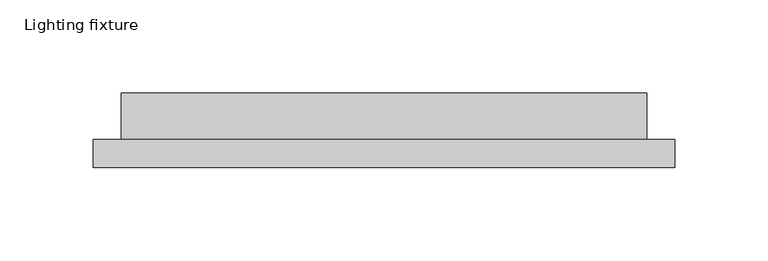
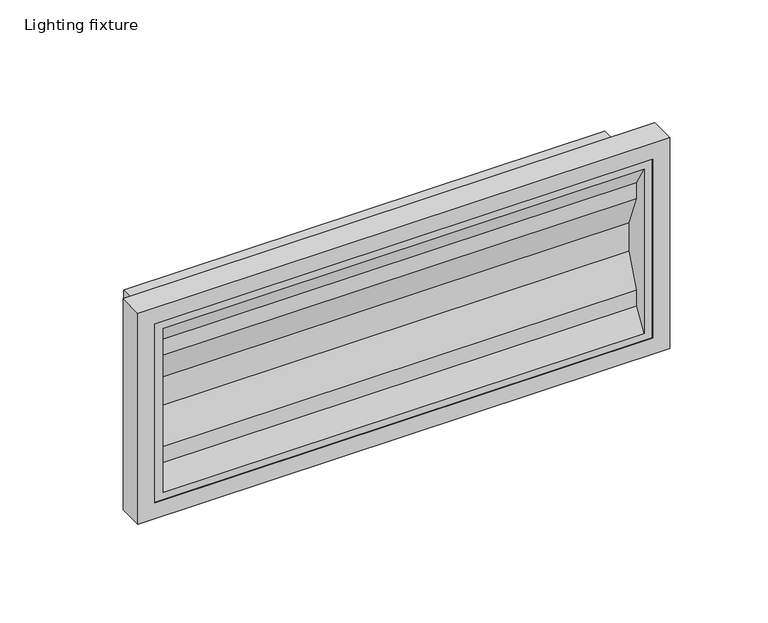
"""IFC4 building model written with IfcOpenShell, lengths in millimetres: light fixture geometry, Lighting fixture."""

from ifc_helpers import new_model, si_unit, frame, origin, place, context, project, spatial, polyline, outline, extrude, faceted_brep, source, transform, mapped, element, save


def lighting_fixture_2f1bb86d(model_context):
    return source(origin(), model_context, "Body", "SolidModel", [
        extrude(outline(polyline([(65.5, -156.0), (-65.5, -156.0), (-65.5, 156.0), (65.5, 156.0), (65.5, -156.0)]), holes=[polyline([(55.5, 146.0), (-55.5, 146.0), (-55.5, -146.0), (55.5, -146.0), (55.5, 146.0)])]), frame((0.0, -40.0, 0.0), z_axis=(0.0, 1.0, 0.0), x_axis=(0.0, 0.0, 1.0)), (0.0, 0.0, 1.0), 15.0),
        faceted_brep([(146.0, -40.0, -55.5), (146.0, -40.0, 55.5), (-146.0, -40.0, 55.5), (-146.0, -40.0, -55.5), (141.0, -40.0, 0.0), (141.0, -40.0, -50.9807621), (-141.0, -40.0, -50.9807621), (-141.0, -40.0, 0.0), (-141.0, -40.0, 50.9807621), (141.0, -40.0, 50.9807621), (146.0, -25.0, -55.5), (-146.0, -25.0, -55.5), (-146.0, -25.0, 55.5), (146.0, -25.0, 55.5), (141.0, -25.0, 0.0), (141.0, -25.0, 8.7632033), (-141.0, -25.0, 8.7632033), (-141.0, -25.0, 0.0), (-141.0, -25.0, -8.7632033), (141.0, -25.0, -8.7632033), (141.0, -32.6794919, 38.3012702), (141.0, -32.6794919, 28.3012702), (141.0, -32.6794919, -28.3012702), (141.0, -32.6794919, -38.3012702), (-141.0, -32.6794919, -38.3012702), (-141.0, -32.6794919, -28.3012702), (-141.0, -32.6794919, 28.3012702), (-141.0, -32.6794919, 38.3012702)], [[[0, 1, 2, 3], [4, 5, 6, 7, 8, 9]], [[10, 11, 12, 13], [14, 15, 16, 17, 18, 19]], [[0, 3, 11, 10]], [[3, 2, 12, 11]], [[2, 1, 13, 12]], [[1, 0, 10, 13]], [[9, 20, 21, 15, 14, 19, 22, 23, 5, 4]], [[6, 24, 25, 18, 17, 16, 26, 27, 8, 7]], [[5, 23, 24, 6]], [[23, 22, 25, 24]], [[22, 19, 18, 25]], [[15, 21, 26, 16]], [[21, 20, 27, 26]], [[20, 9, 8, 27]]]),
        extrude(outline(polyline([(-141.0, 0.0), (141.0, 0.0), (141.0, -25.0), (-141.0, -25.0), (-141.0, 0.0)])), frame((0.0, 0.0, -50.5), z_axis=(0.0, 0.0, 1.0), x_axis=(1.0, 0.0, 0.0)), (0.0, 0.0, 1.0), 101.0),
    ])


if __name__ == "__main__":
    model = new_model("IFC4")
    model_context = context("Model", 3, world=origin())
    ifc_project = project(units=[si_unit("LENGTHUNIT", "METRE", prefix="MILLI")], contexts=[model_context])
    site = spatial("IfcSite", under=ifc_project)
    building = spatial("IfcBuilding", under=site)
    placement = place(None, origin())
    lighting_fixture_shape = lighting_fixture_2f1bb86d(model_context)
    element("IfcLightFixture", 1, ObjectType="Lighting fixture", at=placement, inside=building, context=model_context, shape_type="MappedRepresentation", body=[
        mapped(lighting_fixture_shape, transform((0.0, 0.0, 0.0), x_axis=(1.0, 0.0, 0.0), y_axis=(0.0, 1.0, 0.0), z_axis=(0.0, 0.0, 1.0))),
    ])
    save(model, "model.ifc")
